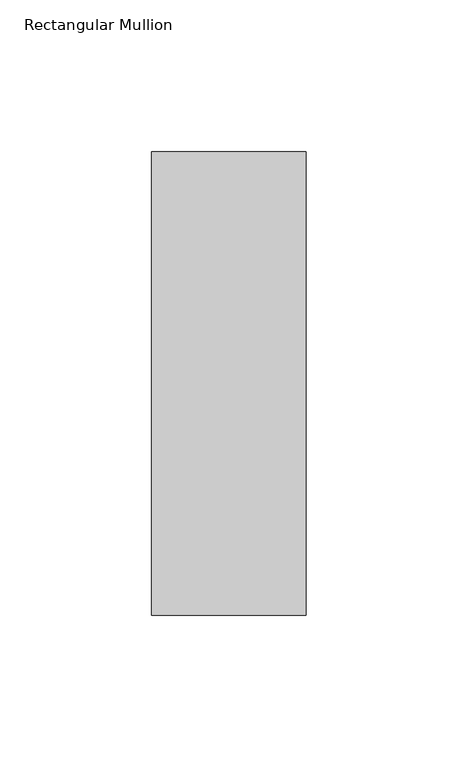
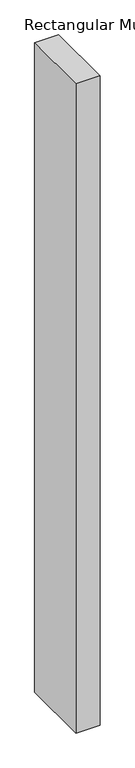
"""IFC4 building model written with IfcOpenShell, lengths in millimetres: member geometry, Rectangular Mullion."""

from ifc_helpers import new_model, si_unit, frame, origin, place, context, project, spatial, polyline, outline, extrude, source, transform, mapped, element, save


def rectangular_mullion_59db97cd(model_context):
    return source(origin(), model_context, "Body", "SweptSolid", [
        extrude(outline(polyline([(-50.8, 26.19375), (0.0, 26.19375), (0.0, -126.20625), (-50.8, -126.20625), (-50.8, 26.19375)])), frame((0.0, 0.0, -1460.5), z_axis=(0.0, 0.0, 1.0), x_axis=(1.0, 0.0, 0.0)), (0.0, 0.0, 1.0), 1460.5),
    ])


if __name__ == "__main__":
    model = new_model("IFC4")
    model_context = context("Model", 3, world=origin())
    ifc_project = project(units=[si_unit("LENGTHUNIT", "METRE", prefix="MILLI")], contexts=[model_context])
    site = spatial("IfcSite", under=ifc_project)
    building = spatial("IfcBuilding", under=site)
    placement = place(None, origin())
    rectangular_mullion_shape = rectangular_mullion_59db97cd(model_context)
    element("IfcMember", 1, ObjectType="Rectangular Mullion", at=placement, inside=building, context=model_context, shape_type="MappedRepresentation", body=[
        mapped(rectangular_mullion_shape, transform((0.0, 0.0, 0.0), x_axis=(1.0, 0.0, 0.0), y_axis=(0.0, 1.0, 0.0), z_axis=(0.0, 0.0, 1.0))),
    ])
    save(model, "model.ifc")
